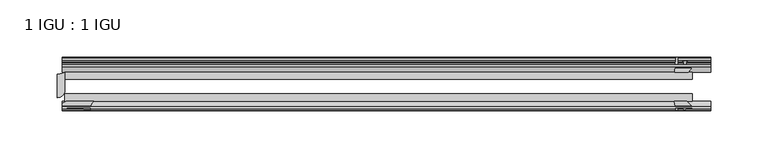
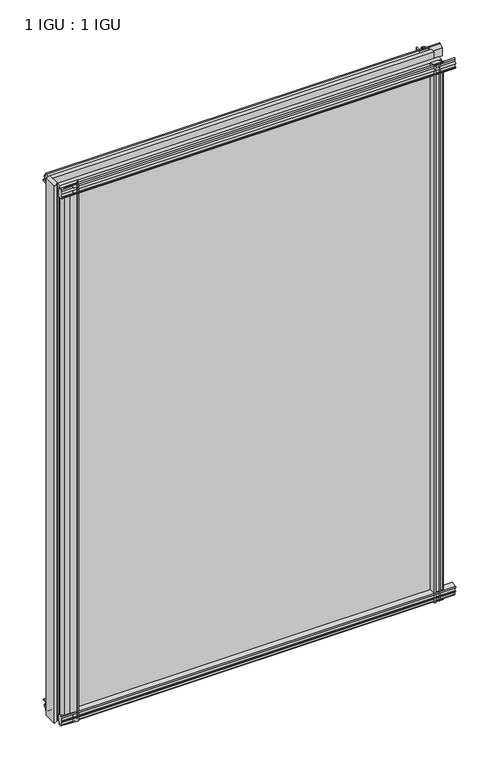
"""IFC4 building model written with IfcOpenShell, lengths in millimetres: plate geometry, 1 IGU : 1 IGU."""

from ifc_helpers import new_model, si_unit, point, frame, frame_2d, origin, place, context, project, spatial, polyline, circle_curve, trimmed, segment, composite_curve, outline, extrude, source, transform, mapped, element, save


def plate_1_igu_1_igu_75bbcec1(model_context):
    return source(origin(), model_context, "Body", "SweptSolid", [
        extrude(outline(composite_curve([segment(polyline([(-57.0900403, 1.731044), (-50.00625, 3.0983599), (-50.00625, -7.92383), (-54.1882244, -12.1058044)]), True, "CONTINUOUS"), segment(trimmed(circle_curve(frame_2d((-55.08625, -11.2077788)), 1.27), [point((-54.1882244, -12.1058044))], [point((-56.35625, -11.2077788))], False, "CARTESIAN"), True, "CONTINUOUS"), segment(polyline([(-56.35625, -11.2077788), (-56.35625, -8.0327788), (-57.835546, -5.4488186), (-56.35625, -5.1879788), (-56.35625, 0.2222212), (-57.65913, 0.0383748)]), True, "CONTINUOUS"), segment(trimmed(circle_curve(frame_2d((-56.9150839, 0.7302212)), 1.016), [point((-57.65913, 0.0383748))], [point((-57.0900403, 1.731044))], False, "CARTESIAN"), True, "CONTINUOUS")], self_intersect=False)), frame((-280.1239, 0.0, 0.0), z_axis=(1.0, 0.0, 0.0), x_axis=(0.0, 1.0, 0.0)), (0.0, 0.0, 1.0), 564.2864),
        extrude(outline(composite_curve([segment(polyline([(-24.60625, 2.5763839), (-12.8423053, 1.6478499)]), True, "CONTINUOUS"), segment(trimmed(circle_curve(frame_2d((-12.92225, 0.635)), 1.016), [point((-12.8423053, 1.6478499))], [point((-12.1291353, 0.0))], False, "CARTESIAN"), True, "CONTINUOUS"), segment(polyline([(-12.1291353, 0.0), (-18.25625, 0.0), (-18.25625, -4.953), (-15.9568457, -5.5691235), (-16.3325195, -4.1670901), (-15.4738114, -3.937), (-14.82725, -6.35), (-15.4738114, -8.763), (-16.3325195, -8.5329099), (-15.9568457, -7.1308765), (-18.25625, -7.747), (-18.25625, -12.7), (-20.28825, -12.7), (-24.60625, -9.1036931), (-24.60625, 2.5763839)]), True, "CONTINUOUS")], self_intersect=False)), frame((-280.1239, 0.0, 0.0), z_axis=(1.0, 0.0, 0.0), x_axis=(0.0, 1.0, 0.0)), (0.0, 0.0, 1.0), 564.2864),
        extrude(outline(composite_curve([segment(polyline([(-20.28825, 800.1), (-18.25625, 800.1), (-18.25625, 795.147), (-15.9568457, 794.5308765), (-16.3325195, 795.9329099), (-15.4738114, 796.163), (-14.82725, 793.75), (-15.4738114, 791.337), (-16.3325195, 791.5670901), (-15.9568457, 792.9691235), (-18.25625, 792.353), (-18.25625, 787.4), (-12.1291353, 787.4)]), True, "CONTINUOUS"), segment(trimmed(circle_curve(frame_2d((-12.92225, 786.765)), 1.016), [point((-12.1291353, 787.4))], [point((-12.8423053, 785.7521501))], False, "CARTESIAN"), True, "CONTINUOUS"), segment(polyline([(-12.8423053, 785.7521501), (-24.60625, 784.8236161), (-24.60625, 796.5036931), (-20.28825, 800.1)]), True, "CONTINUOUS")], self_intersect=False)), frame((-280.1239, 0.0, 0.0), z_axis=(1.0, 0.0, 0.0), x_axis=(0.0, 1.0, 0.0)), (0.0, 0.0, 1.0), 564.2864),
        extrude(outline(composite_curve([segment(trimmed(circle_curve(frame_2d((-56.9150839, 786.6697788)), 1.016), [point((-57.0900403, 785.668956))], [point((-57.65913, 787.3616252))], False, "CARTESIAN"), True, "CONTINUOUS"), segment(polyline([(-57.65913, 787.3616252), (-56.35625, 787.1777788), (-56.35625, 792.5879788), (-57.835546, 792.8488186), (-56.35625, 795.4327788), (-56.35625, 798.6077788)]), True, "CONTINUOUS"), segment(trimmed(circle_curve(frame_2d((-55.08625, 798.6077788)), 1.27), [point((-56.35625, 798.6077788))], [point((-54.1882244, 799.5058044))], False, "CARTESIAN"), True, "CONTINUOUS"), segment(polyline([(-54.1882244, 799.5058044), (-50.00625, 795.32383), (-50.00625, 784.3016401), (-57.0900403, 785.668956)]), True, "CONTINUOUS")], self_intersect=False)), frame((-280.1239, 0.0, 0.0), z_axis=(1.0, 0.0, 0.0), x_axis=(0.0, 1.0, 0.0)), (0.0, 0.0, 1.0), 564.2864),
        extrude(outline(composite_curve([segment(polyline([(253.0111161, -24.60625), (253.9396501, -12.8423053)]), True, "CONTINUOUS"), segment(trimmed(circle_curve(frame_2d((254.9525, -12.92225)), 1.016), [point((253.9396501, -12.8423053))], [point((255.5875, -12.1291353))], False, "CARTESIAN"), True, "CONTINUOUS"), segment(polyline([(255.5875, -12.1291353), (255.5875, -18.25625), (260.5405, -18.25625), (261.1566235, -15.9568457), (259.7545901, -16.3325195), (259.5245, -15.4738114), (261.9375, -14.82725), (264.3505, -15.4738114), (264.1204099, -16.3325195), (262.7183765, -15.9568457), (263.3345, -18.25625), (268.2875, -18.25625), (268.2875, -20.28825), (264.6911931, -24.60625), (253.0111161, -24.60625)]), True, "CONTINUOUS")], self_intersect=False)), frame((0.0, 0.0, -12.7), z_axis=(0.0, 0.0, 1.0), x_axis=(1.0, 0.0, 0.0)), (0.0, 0.0, 1.0), 812.8),
        extrude(outline(composite_curve([segment(polyline([(260.7754788, -56.35625), (255.3652788, -56.35625), (255.5491252, -57.65913)]), True, "CONTINUOUS"), segment(trimmed(circle_curve(frame_2d((254.8572788, -56.9150839)), 1.016), [point((255.5491252, -57.65913))], [point((253.856456, -57.0900403))], False, "CARTESIAN"), True, "CONTINUOUS"), segment(polyline([(253.856456, -57.0900403), (252.4891401, -50.00625), (263.51133, -50.00625), (267.6933044, -54.1882244)]), True, "CONTINUOUS"), segment(trimmed(circle_curve(frame_2d((266.7952788, -55.08625)), 1.27), [point((267.6933044, -54.1882244))], [point((266.7952788, -56.35625))], False, "CARTESIAN"), True, "CONTINUOUS"), segment(polyline([(266.7952788, -56.35625), (263.6202788, -56.35625), (261.0363186, -57.835546), (260.7754788, -56.35625)]), True, "CONTINUOUS")], self_intersect=False)), frame((0.0, 0.0, -12.7), z_axis=(0.0, 0.0, 1.0), x_axis=(1.0, 0.0, 0.0)), (0.0, 0.0, 1.0), 812.8),
        extrude(outline(composite_curve([segment(trimmed(circle_curve(frame_2d((-245.6399732, -57.0773768)), 9.9591112), [point((-252.6530368, -50.00625))], [point((-255.5875, -57.5575914))], True, "CARTESIAN"), True, "CONTINUOUS"), segment(polyline([(-255.5875, -57.5575914), (-267.0175, -56.35625), (-274.9011192, -56.35625), (-280.1239, -54.14645), (-280.1239, -51.60645), (-276.3418863, -50.00625), (-252.6530368, -50.00625)]), True, "CONTINUOUS")], self_intersect=False)), frame((0.0, 0.0, -12.7), z_axis=(0.0, 0.0, 1.0), x_axis=(1.0, 0.0, 0.0)), (0.0, 0.0, 1.0), 812.8),
        extrude(outline(composite_curve([segment(trimmed(circle_curve(frame_2d((-284.1625, -14.2606186)), 12.1389698), [point((-284.1625, -26.3995885))], [point((-277.8125, -24.60625))], True, "CARTESIAN"), True, "CONTINUOUS"), segment(polyline([(-277.8125, -24.60625), (-277.8125, -40.48125)]), True, "CONTINUOUS"), segment(trimmed(circle_curve(frame_2d((-284.1625, -40.48125)), 6.35), [point((-277.8125, -40.48125))], [point((-284.1625, -46.83125))], False, "CARTESIAN"), True, "CONTINUOUS"), segment(polyline([(-284.1625, -46.83125), (-284.1625, -26.3995885)]), True, "CONTINUOUS")], self_intersect=False)), frame((0.0, 0.0, -12.7), z_axis=(0.0, 0.0, 1.0), x_axis=(1.0, 0.0, 0.0)), (0.0, 0.0, 1.0), 812.8),
        extrude(outline(polyline([(-277.8125, -24.60625), (268.2875, -24.60625), (268.2875, -30.95625), (-277.8125, -30.95625), (-277.8125, -24.60625)])), frame((0.0, 0.0, -12.7), z_axis=(0.0, 0.0, 1.0), x_axis=(1.0, 0.0, 0.0)), (0.0, 0.0, 1.0), 812.8),
        extrude(outline(polyline([(268.2875, -43.65625), (268.2875, -50.00625), (-277.8125, -50.00625), (-277.8125, -43.65625), (268.2875, -43.65625)])), frame((0.0, 0.0, -12.7), z_axis=(0.0, 0.0, 1.0), x_axis=(1.0, 0.0, 0.0)), (0.0, 0.0, 1.0), 812.8),
    ])


if __name__ == "__main__":
    model = new_model("IFC4")
    model_context = context("Model", 3, world=origin())
    ifc_project = project(units=[si_unit("LENGTHUNIT", "METRE", prefix="MILLI")], contexts=[model_context])
    site = spatial("IfcSite", under=ifc_project)
    building = spatial("IfcBuilding", under=site)
    placement = place(None, origin())
    plate_1_igu_1_igu_shape = plate_1_igu_1_igu_75bbcec1(model_context)
    element("IfcPlate", 1, ObjectType="1 IGU : 1 IGU", at=placement, inside=building, context=model_context, shape_type="MappedRepresentation", body=[
        mapped(plate_1_igu_1_igu_shape, transform((0.0, 0.0, 0.0), x_axis=(1.0, 0.0, 0.0), y_axis=(0.0, 1.0, 0.0), z_axis=(0.0, 0.0, 1.0))),
    ])
    save(model, "model.ifc")
